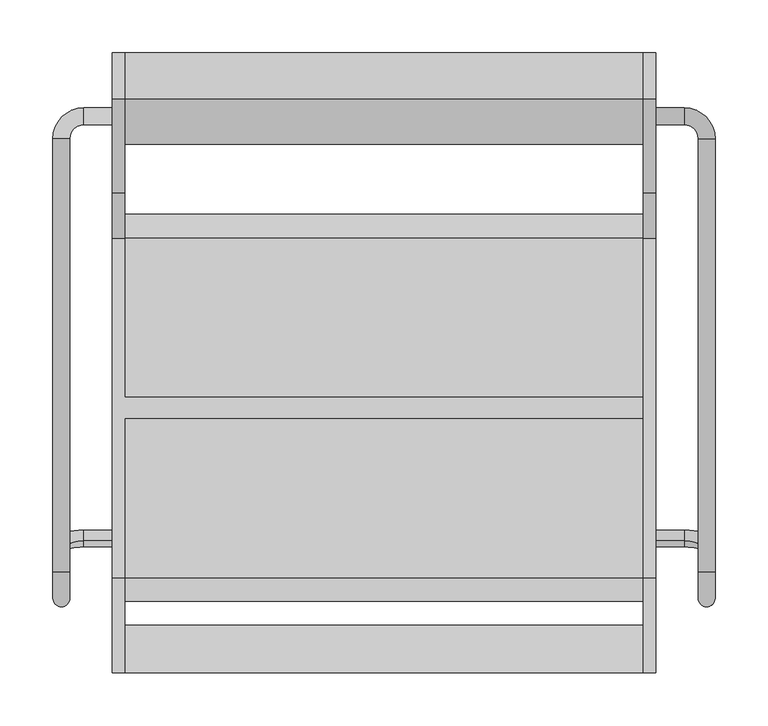
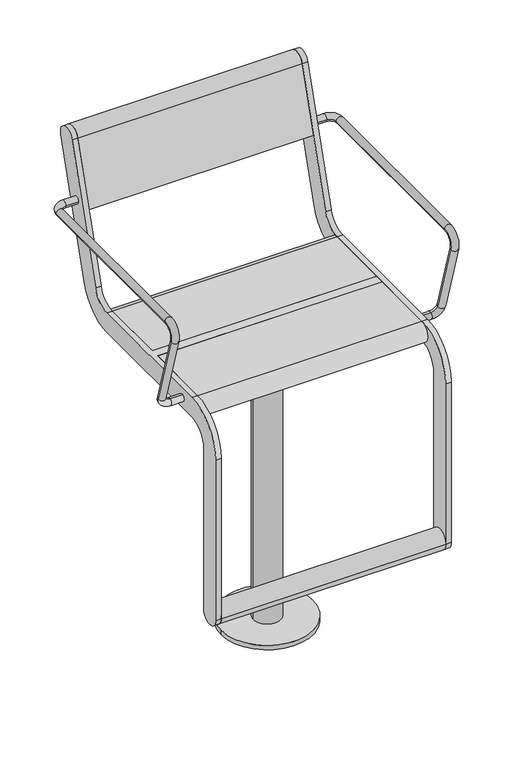
"""IFC4 building model written with IfcOpenShell, lengths in millimetres: furniture geometry."""

import ifcopenshell
import ifcopenshell.guid

model = None  # the IFC model being written
_history = None  # IfcOwnerHistory: only IFC2X3 demands one
_inside = {}  # id of a spatial element -> (the spatial element, [elements in it])
_under = {}  # id of a project, library or spatial element -> (it, [spatial elements below it])
_declared = {}  # id of a project -> (the project, [libraries it declares])
_typed = {}  # id of a type object -> (the type object, [elements of that type])
_made_of = {}  # id of a material, layer set ... -> (it, [elements and type objects made of it])


def new_model(schema):
    """Start an empty IFC model of exactly this schema.

    Asked for "IFC4X3", IfcOpenShell would pick the latest addendum, in which some entities
    have other attributes; the version numbers below select the first issue.
    IFC2X3 requires an IfcOwnerHistory on every rooted entity: one is made here for all.
    """
    global model, _history
    if schema == "IFC4X3":
        model = ifcopenshell.file(schema_version=(4, 3, 0, 0))
    else:
        model = ifcopenshell.file(schema=schema)
    _inside.clear()
    _under.clear()
    _declared.clear()
    _typed.clear()
    _made_of.clear()
    _history = None
    if model.schema == "IFC2X3":
        org = make("IfcOrganization", Name="unknown")
        user = make(
            "IfcPersonAndOrganization",
            ThePerson=make("IfcPerson", FamilyName="unknown"),
            TheOrganization=org,
        )
        app = make(
            "IfcApplication",
            ApplicationDeveloper=org,
            Version="unknown",
            ApplicationFullName="unknown",
            ApplicationIdentifier="unknown",
        )
        _history = make(
            "IfcOwnerHistory",
            OwningUser=user,
            OwningApplication=app,
            ChangeAction="ADDED",
            CreationDate=0,
        )
    return model


def make(cls, **values):
    """One entity of the class cls with the attributes given. An attribute that is None is left unset."""
    return model.create_entity(
        cls, **{name: value for name, value in values.items() if value is not None}
    )


def rooted(cls, **values):
    """An entity with a GlobalId (a new one), such as an element, a storey or a relation."""
    return make(cls, GlobalId=ifcopenshell.guid.new(), OwnerHistory=_history, **values)


def si_unit(unit_type, name, prefix=None):
    """IfcSIUnit, for example si_unit("LENGTHUNIT", "METRE", prefix="MILLI")."""
    return make("IfcSIUnit", UnitType=unit_type, Prefix=prefix, Name=name)


def assignment(units):
    """IfcUnitAssignment: the units of a project."""
    return None if units is None else make("IfcUnitAssignment", Units=units)


def point(xyz):
    """IfcCartesianPoint."""
    return None if xyz is None else make("IfcCartesianPoint", Coordinates=xyz)


def direction(xyz):
    """IfcDirection."""
    return None if xyz is None else make("IfcDirection", DirectionRatios=xyz)


def frame(location, z_axis=None, x_axis=None):
    """IfcAxis2Placement3D, a coordinate frame: its origin and axes. An axis left out is left unset."""
    return make(
        "IfcAxis2Placement3D",
        Location=point(location),
        Axis=direction(z_axis),
        RefDirection=direction(x_axis),
    )


def frame_2d(location, x_axis=None):
    """IfcAxis2Placement2D, a coordinate frame in the plane: its origin and x axis."""
    return make(
        "IfcAxis2Placement2D", Location=point(location), RefDirection=direction(x_axis)
    )


def origin():
    """The frame at (0, 0, 0) with its axes left unset."""
    return frame((0.0, 0.0, 0.0))


def origin_with_axes():
    """The frame at (0, 0, 0) with the z axis (0, 0, 1) and the x axis (1, 0, 0) written out."""
    return frame((0.0, 0.0, 0.0), z_axis=(0.0, 0.0, 1.0), x_axis=(1.0, 0.0, 0.0))


def origin_2d():
    """The frame at (0, 0) in the plane with its x axis left unset."""
    return frame_2d((0.0, 0.0))


def place(relative_to, where):
    """IfcLocalPlacement: puts the frame where relative to a parent placement (None: the world)."""
    return make(
        "IfcLocalPlacement", PlacementRelTo=relative_to, RelativePlacement=where
    )


def context(
    kind, dimensions, precision=None, world=None, true_north=None, identifier=None
):
    """IfcGeometricRepresentationContext, for example the 3D "Model" context."""
    return make(
        "IfcGeometricRepresentationContext",
        ContextIdentifier=identifier,
        ContextType=kind,
        CoordinateSpaceDimension=dimensions,
        Precision=precision,
        WorldCoordinateSystem=world,
        TrueNorth=true_north,
    )


def project(units=None, contexts=None):
    """IfcProject with its units and contexts."""
    return rooted(
        "IfcProject",
        Name="project",
        RepresentationContexts=contexts,
        UnitsInContext=assignment(units),
    )


def spatial(cls, under=None, at=None, **own):
    """A site, building, storey or space (cls), placed at a placement, below another one or the project."""
    s = rooted(cls, ObjectPlacement=at, **own)
    if under is not None:
        _under.setdefault(under.id(), (under, []))[1].append(s)
    return s


def polyline(points):
    """IfcPolyline through the points."""
    return make("IfcPolyline", Points=[point(p) for p in points])


def circle_curve(where, radius):
    """IfcCircle in the frame where."""
    return make("IfcCircle", Position=where, Radius=radius)


def ellipse_curve(where, semi_axis1, semi_axis2):
    """IfcEllipse in the frame where."""
    return make(
        "IfcEllipse", Position=where, SemiAxis1=semi_axis1, SemiAxis2=semi_axis2
    )


def trimmed(basis, trim1, trim2, sense, master):
    """IfcTrimmedCurve: the piece of a basis curve between two trims."""
    return make(
        "IfcTrimmedCurve",
        BasisCurve=basis,
        Trim1=trim1,
        Trim2=trim2,
        SenseAgreement=sense,
        MasterRepresentation=master,
    )


def segment(curve, same_sense, transition):
    """IfcCompositeCurveSegment."""
    return make(
        "IfcCompositeCurveSegment",
        Transition=transition,
        SameSense=same_sense,
        ParentCurve=curve,
    )


def composite_curve(segments, self_intersect=None):
    """IfcCompositeCurve: segments joined end to end."""
    return make("IfcCompositeCurve", Segments=segments, SelfIntersect=self_intersect)


def outline(outer, holes=None, kind="AREA"):
    """IfcArbitraryClosedProfileDef: a profile drawn as a closed curve; with holes, ...WithVoids."""
    if holes is None:
        return make("IfcArbitraryClosedProfileDef", ProfileType=kind, OuterCurve=outer)
    return make(
        "IfcArbitraryProfileDefWithVoids",
        ProfileType=kind,
        OuterCurve=outer,
        InnerCurves=holes,
    )


def extrude(swept, where, along, depth):
    """IfcExtrudedAreaSolid: the profile swept, set in the frame where, extruded along a direction by depth."""
    return make(
        "IfcExtrudedAreaSolid",
        SweptArea=swept,
        Position=where,
        ExtrudedDirection=direction(along),
        Depth=depth,
    )


def shape(context_of_items, identifier, shape_type, items):
    """IfcShapeRepresentation: the items that make up one representation, for example the "Body"."""
    return make(
        "IfcShapeRepresentation",
        ContextOfItems=context_of_items,
        RepresentationIdentifier=identifier,
        RepresentationType=shape_type,
        Items=items,
    )


def source(mapping_origin, context_of_items, identifier, shape_type, items):
    """IfcRepresentationMap: a shape defined once, which mapped items show again and again."""
    return make(
        "IfcRepresentationMap",
        MappingOrigin=mapping_origin,
        MappedRepresentation=shape(context_of_items, identifier, shape_type, items),
    )


def transform(
    local_origin,
    x_axis=None,
    y_axis=None,
    z_axis=None,
    scale=None,
    scale2=None,
    scale3=None,
    uniform=True,
):
    """IfcCartesianTransformationOperator3D, or its non-uniform kind. x_axis, y_axis, z_axis: its Axis1, 2, 3."""
    if uniform:
        return make(
            "IfcCartesianTransformationOperator3D",
            Axis1=direction(x_axis),
            Axis2=direction(y_axis),
            LocalOrigin=point(local_origin),
            Scale=scale,
            Axis3=direction(z_axis),
        )
    return make(
        "IfcCartesianTransformationOperator3DnonUniform",
        Axis1=direction(x_axis),
        Axis2=direction(y_axis),
        LocalOrigin=point(local_origin),
        Scale=scale,
        Axis3=direction(z_axis),
        Scale2=scale2,
        Scale3=scale3,
    )


def mapped(mapping_source, mapping_target):
    """IfcMappedItem: shows the shape of a source again, moved by a transform."""
    return make(
        "IfcMappedItem", MappingSource=mapping_source, MappingTarget=mapping_target
    )


def made_of(thing, what):
    """Note that an element or type object is made of a material, layer set ...; save() writes the relation."""
    if what is not None:
        _made_of.setdefault(what.id(), (what, []))[1].append(thing)
    return thing


def element(
    cls,
    number,
    at=None,
    inside=None,
    cuts=None,
    type_object=None,
    material=None,
    context=None,
    identifier="Body",
    shape_type=None,
    held_by="IfcProductDefinitionShape",
    body=None,
    shapes=None,
    **own,
):
    """One element of the class cls, such as IfcWall. Its Tag is "e" and its number.

    at: its placement. inside: the storey or other place that contains it. cuts: it is an
    opening in that element (IfcRelVoidsElement). A single representation is given by context,
    identifier, shape_type and body (its items); several are given by shapes. held_by: the class
    of the entity that holds the representations. save() writes the other relations.
    """
    e = rooted(cls, Tag="e%d" % number, ObjectPlacement=at, **own)
    if body is not None:
        shapes = [shape(context, identifier, shape_type, body)]
    if shapes is not None:
        e.Representation = make(held_by, Representations=shapes)
    if inside is not None:
        _inside.setdefault(inside.id(), (inside, []))[1].append(e)
    if cuts is not None:
        rooted(
            "IfcRelVoidsElement", RelatingBuildingElement=cuts, RelatedOpeningElement=e
        )
    if type_object is not None:
        _typed.setdefault(type_object.id(), (type_object, []))[1].append(e)
    return made_of(e, material)


def aggregate(whole, parts):
    """IfcRelAggregates: a whole, such as a stair, and the parts it consists of."""
    return rooted("IfcRelAggregates", RelatingObject=whole, RelatedObjects=parts)


def save(model, path):
    """Write the relations noted so far, then the file.

    IfcRelAggregates (storeys below a building ...), IfcRelContainedInSpatialStructure (elements
    in a storey), IfcRelDefinesByType, IfcRelAssociatesMaterial and IfcRelDeclares: one each for
    every whole, place, type object, material and project.
    """
    for whole, parts in _under.values():
        aggregate(whole, parts)
    for where, things in _inside.values():
        rooted(
            "IfcRelContainedInSpatialStructure",
            RelatedElements=things,
            RelatingStructure=where,
        )
    for kind, things in _typed.values():
        rooted("IfcRelDefinesByType", RelatedObjects=things, RelatingType=kind)
    for what, things in _made_of.values():
        rooted("IfcRelAssociatesMaterial", RelatedObjects=things, RelatingMaterial=what)
    for by, libraries in _declared.values():
        rooted("IfcRelDeclares", RelatingContext=by, RelatedDefinitions=libraries)
    model.write(path)


def plane_surface(at):
    """IfcPlane: the flat surface through the origin of the frame at, square to its z axis."""
    return make("IfcPlane", Position=at)


def cylinder_surface(at, radius):
    """IfcCylindricalSurface: all points at the distance radius from the z axis of the frame at."""
    return make("IfcCylindricalSurface", Position=at, Radius=radius)


def revolved_surface(curve, axis_point, axis_direction):
    """IfcSurfaceOfRevolution: the curve turned about the line through axis_point along axis_direction."""
    return make(
        "IfcSurfaceOfRevolution",
        SweptCurve=make("IfcArbitraryOpenProfileDef", ProfileType="CURVE", Curve=curve),
        AxisPosition=make("IfcAxis1Placement", Location=point(axis_point), Axis=direction(axis_direction)),
    )


def advanced_brep(points, edges, surfaces, faces):
    """IfcAdvancedBrep: a solid bounded by faces that lie on surfaces and meet in shared edges.

    An edge is (start, end): straight between two places in points (the first is 0);
    or (start, end, curve); or (start, end, curve, False) where it runs against its curve.
    A face is (place in surfaces, loops), or (place, loops, False) where it looks against
    its surface's normal. A loop lists edges by number (the first is 1), with a minus sign
    where the edge is run from its end to its start. The first loop is the outer one.
    """
    corners = [point(p) for p in points]
    vertices = [make("IfcVertexPoint", VertexGeometry=c) for c in corners]
    made = []
    for start, end, *more in edges:
        made.append(
            make(
                "IfcEdgeCurve",
                EdgeStart=vertices[start],
                EdgeEnd=vertices[end],
                EdgeGeometry=more[0] if more else make("IfcPolyline", Points=[corners[start], corners[end]]),
                SameSense=more[1] if len(more) > 1 else True,
            )
        )
    hull = []
    for where, loops, *sense in faces:
        bounds = []
        for j, loop in enumerate(loops):
            ring = [make("IfcOrientedEdge", EdgeElement=made[abs(k) - 1], Orientation=k > 0) for k in loop]
            bounds.append(
                make(
                    "IfcFaceOuterBound" if j == 0 else "IfcFaceBound",
                    Bound=make("IfcEdgeLoop", EdgeList=ring),
                    Orientation=True,
                )
            )
        hull.append(make("IfcAdvancedFace", Bounds=bounds, FaceSurface=surfaces[where], SameSense=sense[0] if sense else True))
    return make("IfcAdvancedBrep", Outer=make("IfcClosedShell", CfsFaces=hull))


def furniture_70af7916(model_context):
    return source(origin(), model_context, "Body", "SolidModel", [
        extrude(outline(composite_curve([segment(trimmed(circle_curve(origin_2d(), 40.0), [point((-40.0, 0.0))], [point((40.0, 0.0))], False, "CARTESIAN"), True, "CONTINUOUS"), segment(trimmed(circle_curve(origin_2d(), 40.0), [point((40.0, 0.0))], [point((-40.0, 0.0))], False, "CARTESIAN"), True, "CONTINUOUS")], self_intersect=False)), frame((0.0, 0.0, 578.999979), z_axis=(0.0, 0.0, 1.0), x_axis=(1.0, 0.0, 0.0)), (0.0, 0.0, 1.0), 60.0000441),
        extrude(outline(polyline([(75.0, 125.0), (75.0, -125.0), (-75.0, -125.0), (-75.0, 125.0), (75.0, 125.0)])), frame((0.0, 0.0, 639.0000231), z_axis=(0.0, 0.0, 1.0), x_axis=(1.0, 0.0, 0.0)), (0.0, 0.0, 1.0), 15.9999681),
        extrude(outline(composite_curve([segment(trimmed(circle_curve(origin_2d(), 100.0), [point((-100.0, 0.0))], [point((100.0, 0.0))], False, "CARTESIAN"), True, "CONTINUOUS"), segment(trimmed(circle_curve(origin_2d(), 100.0), [point((100.0, 0.0))], [point((-100.0, 0.0))], False, "CARTESIAN"), True, "CONTINUOUS")], self_intersect=False)), origin_with_axes(), (0.0, 0.0, 1.0), 10.0),
        extrude(outline(composite_curve([segment(trimmed(circle_curve(origin_2d(), 30.0), [point((-30.0, 0.0))], [point((30.0, 0.0))], False, "CARTESIAN"), True, "CONTINUOUS"), segment(trimmed(circle_curve(origin_2d(), 30.0), [point((30.0, 0.0))], [point((-30.0, 0.0))], False, "CARTESIAN"), True, "CONTINUOUS")], self_intersect=False)), frame((0.0, 0.0, 10.0), z_axis=(0.0, 0.0, 1.0), x_axis=(1.0, 0.0, 0.0)), (0.0, 0.0, 1.0), 568.999979),
        advanced_brep(
        [(257.0, 267.0, 891.4999912), (257.0, 283.0, 891.4999912), (284.0, 267.0, 891.4999912), (284.0, 283.0, 891.4999912), (297.0, 254.0, 891.4999912), (313.0, 254.0, 891.4999912), (297.0, -155.6408049, 891.4999912), (313.0, -155.6408049, 891.4999912), (313.0, -179.5484238, 859.1906986), (297.0, -179.5484238, 859.1906986), (313.0, -130.1398058, 697.5823911), (297.0, -130.1398058, 697.5823911), (257.0, -126.3389736, 685.1504293), (257.0, -121.6610264, 669.8495532), (284.0, -121.6610264, 669.8495532), (284.0, -126.3389736, 685.1504293)],
        [
            (0, 1, circle_curve(frame((257.0, 275.0, 891.4999912), z_axis=(-1.0, 0.0, 0.0), x_axis=(0.0, 1.0, 0.0)), 8.0)),
            (1, 0, circle_curve(frame((257.0, 275.0, 891.4999912), z_axis=(-1.0, 0.0, 0.0), x_axis=(0.0, 1.0, 0.0)), 8.0)),
            (0, 2),
            (2, 3, circle_curve(frame((284.0, 275.0, 891.4999912), z_axis=(-1.0, 0.0, 0.0), x_axis=(0.0, 1.0, 0.0)), 8.0)),
            (3, 1),
            (3, 2, circle_curve(frame((284.0, 275.0, 891.4999912), z_axis=(-1.0, 0.0, 0.0), x_axis=(0.0, 1.0, 0.0)), 8.0)),
            (2, 4, circle_curve(frame((284.0, 254.0, 891.4999912), z_axis=(0.0, 0.0, -1.0), x_axis=(0.0, 1.0, 0.0)), 13.0)),
            (4, 5, circle_curve(frame((305.0, 254.0, 891.4999912), z_axis=(0.0, 1.0, 0.0), x_axis=(1.0, 0.0, 0.0)), 8.0)),
            (5, 3, circle_curve(frame((284.0, 254.0, 891.4999912), z_axis=(0.0, 0.0, 1.0), x_axis=(0.0, 1.0, 0.0)), 29.0)),
            (5, 4, circle_curve(frame((305.0, 254.0, 891.4999912), z_axis=(0.0, 1.0, 0.0), x_axis=(1.0, 0.0, 0.0)), 8.0)),
            (4, 6),
            (6, 7, circle_curve(frame((305.0, -155.6408049, 891.4999912), z_axis=(0.0, 1.0, 0.0), x_axis=(1.0, 0.0, 0.0)), 8.0)),
            (7, 5),
            (7, 6, circle_curve(frame((305.0, -155.6408049, 891.4999912), z_axis=(0.0, 1.0, 0.0), x_axis=(1.0, 0.0, 0.0)), 8.0)),
            (7, 8, circle_curve(frame((313.0, -155.6408049, 866.4999912), z_axis=(1.0, 0.0, 0.0), x_axis=(0.0, 0.0, 1.0)), 25.0)),
            (8, 9, circle_curve(frame((305.0, -179.5484238, 859.1906986), z_axis=(0.0, -0.2923717047227431, 0.9563047559630335), x_axis=(1.0, 0.0, 0.0)), 8.0)),
            (9, 6, circle_curve(frame((297.0, -155.6408049, 866.4999912), z_axis=(-1.0, 0.0, 0.0), x_axis=(0.0, 0.0, 1.0)), 25.0)),
            (9, 8, circle_curve(frame((305.0, -179.5484238, 859.1906986), z_axis=(0.0, -0.2923717047227435, 0.9563047559630334), x_axis=(1.0, 0.0, 0.0)), 8.0)),
            (8, 10),
            (10, 11, circle_curve(frame((305.0, -130.1398058, 697.5823911), z_axis=(0.0, -0.2923717047227379, 0.9563047559630351), x_axis=(1.0, 0.0, 0.0)), 8.0)),
            (11, 9),
            (11, 10, circle_curve(frame((305.0, -130.1398058, 697.5823911), z_axis=(0.0, -0.2923717047227379, 0.9563047559630351), x_axis=(1.0, 0.0, 0.0)), 8.0)),
            (12, 13, circle_curve(frame((257.0, -124.0, 677.4999912), z_axis=(-1.0, 0.0, 0.0), x_axis=(0.0, 0.2923717047227402, -0.9563047559630344)), 8.0)),
            (13, 12, circle_curve(frame((257.0, -124.0, 677.4999912), z_axis=(-1.0, 0.0, 0.0), x_axis=(0.0, 0.2923717047227402, -0.9563047559630344)), 8.0)),
            (13, 14),
            (14, 15, circle_curve(frame((284.0, -124.0, 677.4999912), z_axis=(-1.0, 0.0, 0.0), x_axis=(0.0, 0.2923717047227402, -0.9563047559630344)), 8.0)),
            (15, 12),
            (15, 14, circle_curve(frame((284.0, -124.0, 677.4999912), z_axis=(-1.0, 0.0, 0.0), x_axis=(0.0, 0.2923717047227402, -0.9563047559630344)), 8.0)),
            (14, 10, circle_curve(frame((284.0, -130.1398058, 697.5823911), z_axis=(0.0, -0.9563047559630344, -0.29237170472274027), x_axis=(0.0, 0.29237170472274027, -0.9563047559630344)), 29.0)),
            (11, 15, circle_curve(frame((284.0, -130.1398058, 697.5823911), z_axis=(0.0, 0.9563047559630344, 0.29237170472274027), x_axis=(0.0, 0.29237170472274027, -0.9563047559630344)), 13.0)),
        ],
        [
            plane_surface(frame((257.0, 275.0, -99.999782), z_axis=(-1.0, 0.0, 0.0), x_axis=(0.0, 0.0, 1.0))),
            cylinder_surface(frame((257.0, 275.0, 891.4999912), z_axis=(-1.0, 0.0, 0.0), x_axis=(0.0, 1.0, 0.0)), 8.0),
            revolved_surface(trimmed(ellipse_curve(frame((284.0, 275.0, 891.4999912), z_axis=(-1.0, 0.0, 0.0), x_axis=(0.0, 1.0, 0.0)), 8.0, 8.0), [point((284.0, 267.0, 891.4999912))], [point((284.0, 283.0, 891.4999912))], True, "CARTESIAN"), (284.0, 254.0, -99.999782), (0.0, 0.0, -1.0)),
            revolved_surface(trimmed(ellipse_curve(frame((284.0, 275.0, 891.4999912), z_axis=(-1.0, 0.0, 0.0), x_axis=(0.0, 1.0, 0.0)), 8.0, 8.0), [point((284.0, 283.0, 891.4999912))], [point((284.0, 267.0, 891.4999912))], True, "CARTESIAN"), (284.0, 254.0, -99.999782), (0.0, 0.0, -1.0)),
            cylinder_surface(frame((305.0, 254.0, 891.4999912), z_axis=(0.0, 1.0, 0.0), x_axis=(1.0, 0.0, 0.0)), 8.0),
            revolved_surface(trimmed(ellipse_curve(frame((305.0, -155.6408049, 891.4999912), z_axis=(0.0, 1.0, 0.0), x_axis=(1.0, 0.0, 0.0)), 8.0, 8.0), [point((313.0, -155.6408049, 891.4999912))], [point((297.0, -155.6408049, 891.4999912))], True, "CARTESIAN"), (0.0, -155.6408049, 866.4999912), (1.0, 0.0, 0.0)),
            revolved_surface(trimmed(ellipse_curve(frame((305.0, -155.6408049, 891.4999912), z_axis=(0.0, 1.0, 0.0), x_axis=(1.0, 0.0, 0.0)), 8.0, 8.0), [point((297.0, -155.6408049, 891.4999912))], [point((313.0, -155.6408049, 891.4999912))], True, "CARTESIAN"), (0.0, -155.6408049, 866.4999912), (1.0, 0.0, 0.0)),
            cylinder_surface(frame((305.0, -179.5484238, 859.1906986), z_axis=(0.0, -0.2923717047227379, 0.9563047559630351), x_axis=(1.0, 0.0, 0.0)), 8.0),
            plane_surface(frame((257.0, 489.469501, 865.0564398), z_axis=(-1.0, 0.0, 0.0), x_axis=(0.0, -0.9563047559630344, -0.29237170472274027))),
            cylinder_surface(frame((257.0, -124.0, 677.4999912), z_axis=(-1.0, 0.0, 0.0), x_axis=(0.0, 0.2923717047227402, -0.9563047559630344)), 8.0),
            revolved_surface(trimmed(ellipse_curve(frame((284.0, -124.0, 677.4999912), z_axis=(-1.0, 0.0, 0.0), x_axis=(0.0, 0.2923717047227402, -0.9563047559630344)), 8.0, 8.0), [point((284.0, -121.6610264, 669.8495532))], [point((284.0, -126.3389736, 685.1504293))], True, "CARTESIAN"), (284.0, 483.3296952, 885.1388397), (0.0, -0.9563047559630344, -0.29237170472274027)),
            revolved_surface(trimmed(ellipse_curve(frame((284.0, -124.0, 677.4999912), z_axis=(-1.0, 0.0, 0.0), x_axis=(0.0, 0.2923717047227402, -0.9563047559630344)), 8.0, 8.0), [point((284.0, -126.3389736, 685.1504293))], [point((284.0, -121.6610264, 669.8495532))], True, "CARTESIAN"), (284.0, 483.3296952, 885.1388397), (0.0, -0.9563047559630344, -0.29237170472274027)),
        ],
        [
            (0, [[1, 2]]),
            (1, [[-1, 3, 4, 5]]),
            (1, [[-2, -5, 6, -3]]),
            (2, [[-4, 7, 8, 9]]),
            (3, [[-6, -9, 10, -7]]),
            (4, [[11, 12, 13, -8]]),
            (4, [[-11, -10, -13, 14]]),
            (5, [[-14, 15, 16, 17]]),
            (6, [[-12, -17, 18, -15]]),
            (7, [[-16, 19, 20, 21]]),
            (7, [[-18, -21, 22, -19]]),
            (8, [[23, 24]]),
            (9, [[-24, 25, 26, 27]]),
            (9, [[-23, -27, 28, -25]]),
            (10, [[-26, 29, -22, 30]]),
            (11, [[-28, -30, -20, -29]]),
        ],
    ),
        extrude(outline(composite_curve([segment(trimmed(circle_curve(frame_2d((-228.4999475, 240.0002133)), 22.4999984), [point((-205.9999492, 240.0002133))], [point((-250.9999459, 240.0002133))], False, "CARTESIAN"), True, "CONTINUOUS"), segment(trimmed(circle_curve(frame_2d((-228.4999475, 240.0002133)), 22.4999984), [point((-250.9999459, 240.0002133))], [point((-205.9999492, 240.0002133))], False, "CARTESIAN"), True, "CONTINUOUS")], self_intersect=False)), frame((-245.0, 0.0, 0.0), z_axis=(1.0, 0.0, 0.0), x_axis=(0.0, 1.0, 0.0)), (0.0, 0.0, 1.0), 490.0),
        extrude(outline(composite_curve([segment(trimmed(circle_curve(frame_2d((312.5544541, 1013.1126327)), 22.5), [point((291.0375971, 1019.6909961))], [point((334.0713112, 1006.5342693))], False, "CARTESIAN"), True, "CONTINUOUS"), segment(polyline([(334.0713112, 1006.5342693), (246.067428, 718.6865378)]), True, "CONTINUOUS"), segment(trimmed(circle_curve(frame_2d((160.0, 744.9999912)), 90.0), [point((246.067428, 718.6865378))], [point((160.0, 654.9999912))], False, "CARTESIAN"), True, "CONTINUOUS"), segment(polyline([(160.0, 654.9999912), (-161.000007, 654.9999912)]), True, "CONTINUOUS"), segment(trimmed(circle_curve(frame_2d((-161.000007, 610.000049)), 44.9999422), [point((-161.000007, 654.9999912))], [point((-205.9999492, 610.000049))], True, "CARTESIAN"), True, "CONTINUOUS"), segment(polyline([(-205.9999492, 610.000049), (-205.9999492, 240.0002133)]), True, "CONTINUOUS"), segment(trimmed(circle_curve(frame_2d((-228.4999475, 240.0002133)), 22.4999984), [point((-205.9999492, 240.0002133))], [point((-250.9999459, 240.0002133))], False, "CARTESIAN"), True, "CONTINUOUS"), segment(polyline([(-250.9999459, 240.0002133), (-250.9999459, 610.0000453)]), True, "CONTINUOUS"), segment(trimmed(circle_curve(frame_2d((-161.0, 610.0000453)), 89.9999459), [point((-250.9999459, 610.0000453))], [point((-161.0, 699.9999912))], False, "CARTESIAN"), True, "CONTINUOUS"), segment(polyline([(-161.0, 699.9999912), (160.0, 699.9999912)]), True, "CONTINUOUS"), segment(trimmed(circle_curve(frame_2d((160.0, 744.9999912)), 45.0), [point((160.0, 699.9999912))], [point((203.033714, 731.8432645))], True, "CARTESIAN"), True, "CONTINUOUS"), segment(polyline([(203.033714, 731.8432645), (291.0375971, 1019.6909961)]), True, "CONTINUOUS")], self_intersect=False)), frame((245.0000214, 0.0, 0.0), z_axis=(1.0, 0.0, 0.0), x_axis=(0.0, 1.0, 0.0)), (0.0, 0.0, 1.0), 12.0),
        advanced_brep(
        [(-313.0, 254.0, 891.4999912), (-313.0, -155.6408049, 891.4999912), (-297.0, -155.6408049, 891.4999912), (-297.0, 254.0, 891.4999912), (-257.0, 267.0, 891.4999912), (-257.0, 283.0, 891.4999912), (-284.0, 283.0, 891.4999912), (-284.0, 267.0, 891.4999912), (-297.0, -179.5484238, 859.1906986), (-313.0, -179.5484238, 859.1906986), (-297.0, -130.1398058, 697.5823911), (-313.0, -130.1398058, 697.5823911), (-257.0, -126.3389736, 685.1504293), (-257.0, -121.6610264, 669.8495532), (-284.0, -126.3389736, 685.1504293), (-284.0, -121.6610264, 669.8495532)],
        [
            (0, 1),
            (1, 2, circle_curve(frame((-305.0, -155.6408049, 891.4999912), z_axis=(0.0, 1.0, 0.0), x_axis=(-1.0, 0.0, 0.0)), 8.0)),
            (2, 3),
            (3, 0, circle_curve(frame((-305.0, 254.0, 891.4999912), z_axis=(0.0, -1.0, 0.0), x_axis=(-1.0, 0.0, 0.0)), 8.0)),
            (0, 3, circle_curve(frame((-305.0, 254.0, 891.4999912), z_axis=(0.0, -1.0, 0.0), x_axis=(-1.0, 0.0, 0.0)), 8.0)),
            (2, 1, circle_curve(frame((-305.0, -155.6408049, 891.4999912), z_axis=(0.0, 1.0, 0.0), x_axis=(-1.0, 0.0, 0.0)), 8.0)),
            (4, 5, circle_curve(frame((-257.0, 275.0, 891.4999912), z_axis=(1.0, 0.0, 0.0), x_axis=(0.0, 1.0, 0.0)), 8.0)),
            (5, 4, circle_curve(frame((-257.0, 275.0, 891.4999912), z_axis=(1.0, 0.0, 0.0), x_axis=(0.0, 1.0, 0.0)), 8.0)),
            (5, 6),
            (6, 7, circle_curve(frame((-284.0, 275.0, 891.4999912), z_axis=(1.0, 0.0, 0.0), x_axis=(0.0, 1.0, 0.0)), 8.0)),
            (7, 4),
            (7, 6, circle_curve(frame((-284.0, 275.0, 891.4999912), z_axis=(1.0, 0.0, 0.0), x_axis=(0.0, 1.0, 0.0)), 8.0)),
            (6, 0, circle_curve(frame((-284.0, 254.0, 891.4999912), z_axis=(0.0, 0.0, 1.0), x_axis=(0.0, 1.0, 0.0)), 29.0)),
            (3, 7, circle_curve(frame((-284.0, 254.0, 891.4999912), z_axis=(0.0, 0.0, -1.0), x_axis=(0.0, 1.0, 0.0)), 13.0)),
            (2, 8, circle_curve(frame((-297.0, -155.6408049, 866.4999912), z_axis=(1.0, 0.0, 0.0), x_axis=(0.0, 0.0, 1.0)), 25.0)),
            (8, 9, circle_curve(frame((-305.0, -179.5484238, 859.1906986), z_axis=(0.0, -0.2923717047227431, 0.9563047559630335), x_axis=(-1.0, 0.0, 0.0)), 8.0)),
            (9, 1, circle_curve(frame((-313.0, -155.6408049, 866.4999912), z_axis=(-1.0, 0.0, 0.0), x_axis=(0.0, 0.0, 1.0)), 25.0)),
            (9, 8, circle_curve(frame((-305.0, -179.5484238, 859.1906986), z_axis=(0.0, -0.2923717047227431, 0.9563047559630335), x_axis=(-1.0, 0.0, 0.0)), 8.0)),
            (8, 10),
            (10, 11, circle_curve(frame((-305.0, -130.1398058, 697.5823911), z_axis=(0.0, -0.2923717047227379, 0.9563047559630351), x_axis=(-1.0, 0.0, 0.0)), 8.0)),
            (11, 9),
            (11, 10, circle_curve(frame((-305.0, -130.1398058, 697.5823911), z_axis=(0.0, -0.2923717047227379, 0.9563047559630351), x_axis=(-1.0, 0.0, 0.0)), 8.0)),
            (12, 13, circle_curve(frame((-257.0, -124.0, 677.4999912), z_axis=(1.0, 0.0, 0.0), x_axis=(0.0, 0.2923717047227402, -0.9563047559630344)), 8.0)),
            (13, 12, circle_curve(frame((-257.0, -124.0, 677.4999912), z_axis=(1.0, 0.0, 0.0), x_axis=(0.0, 0.2923717047227402, -0.9563047559630344)), 8.0)),
            (12, 14),
            (14, 15, circle_curve(frame((-284.0, -124.0, 677.4999912), z_axis=(1.0, 0.0, 0.0), x_axis=(0.0, 0.2923717047227402, -0.9563047559630344)), 8.0)),
            (15, 13),
            (15, 14, circle_curve(frame((-284.0, -124.0, 677.4999912), z_axis=(1.0, 0.0, 0.0), x_axis=(0.0, 0.2923717047227402, -0.9563047559630344)), 8.0)),
            (14, 10, circle_curve(frame((-284.0, -130.1398058, 697.5823911), z_axis=(0.0, 0.9563047559630344, 0.29237170472274027), x_axis=(0.0, 0.29237170472274027, -0.9563047559630344)), 13.0)),
            (11, 15, circle_curve(frame((-284.0, -130.1398058, 697.5823911), z_axis=(0.0, -0.9563047559630344, -0.29237170472274027), x_axis=(0.0, 0.29237170472274027, -0.9563047559630344)), 29.0)),
        ],
        [
            cylinder_surface(frame((-305.0, 254.0, 891.4999912), z_axis=(0.0, 1.0, 0.0), x_axis=(-1.0, 0.0, 0.0)), 8.0),
            plane_surface(frame((-257.0, 275.0, -99.999782), z_axis=(1.0, 0.0, 0.0), x_axis=(0.0, 0.0, 1.0))),
            cylinder_surface(frame((-257.0, 275.0, 891.4999912), z_axis=(1.0, 0.0, 0.0), x_axis=(0.0, 1.0, 0.0)), 8.0),
            revolved_surface(trimmed(ellipse_curve(frame((-284.0, 275.0, 891.4999912), z_axis=(1.0, 0.0, 0.0), x_axis=(0.0, 1.0, 0.0)), 8.0, 8.0), [point((-284.0, 283.0, 891.4999912))], [point((-284.0, 267.0, 891.4999912))], True, "CARTESIAN"), (-284.0, 254.0, -99.999782), (0.0, 0.0, 1.0)),
            revolved_surface(trimmed(ellipse_curve(frame((-284.0, 275.0, 891.4999912), z_axis=(1.0, 0.0, 0.0), x_axis=(0.0, 1.0, 0.0)), 8.0, 8.0), [point((-284.0, 267.0, 891.4999912))], [point((-284.0, 283.0, 891.4999912))], True, "CARTESIAN"), (-284.0, 254.0, -99.999782), (0.0, 0.0, 1.0)),
            revolved_surface(trimmed(ellipse_curve(frame((-305.0, -155.6408049, 891.4999912), z_axis=(0.0, 1.0, 0.0), x_axis=(-1.0, 0.0, 0.0)), 8.0, 8.0), [point((-297.0, -155.6408049, 891.4999912))], [point((-313.0, -155.6408049, 891.4999912))], True, "CARTESIAN"), (0.0, -155.6408049, 866.4999912), (1.0, 0.0, 0.0)),
            revolved_surface(trimmed(ellipse_curve(frame((-305.0, -155.6408049, 891.4999912), z_axis=(0.0, 1.0, 0.0), x_axis=(-1.0, 0.0, 0.0)), 8.0, 8.0), [point((-313.0, -155.6408049, 891.4999912))], [point((-297.0, -155.6408049, 891.4999912))], True, "CARTESIAN"), (0.0, -155.6408049, 866.4999912), (1.0, 0.0, 0.0)),
            cylinder_surface(frame((-305.0, -179.5484238, 859.1906986), z_axis=(0.0, -0.2923717047227379, 0.9563047559630351), x_axis=(-1.0, 0.0, 0.0)), 8.0),
            plane_surface(frame((-257.0, 489.469501, 865.0564398), z_axis=(1.0, 0.0, 0.0), x_axis=(0.0, -0.9563047559630344, -0.29237170472274027))),
            cylinder_surface(frame((-257.0, -124.0, 677.4999912), z_axis=(1.0, 0.0, 0.0), x_axis=(0.0, 0.2923717047227402, -0.9563047559630344)), 8.0),
            revolved_surface(trimmed(ellipse_curve(frame((-284.0, -124.0, 677.4999912), z_axis=(1.0, 0.0, 0.0), x_axis=(0.0, 0.2923717047227402, -0.9563047559630344)), 8.0, 8.0), [point((-284.0, -126.3389736, 685.1504293))], [point((-284.0, -121.6610264, 669.8495532))], True, "CARTESIAN"), (-284.0, 483.3296952, 885.1388397), (0.0, 0.9563047559630344, 0.29237170472274027)),
            revolved_surface(trimmed(ellipse_curve(frame((-284.0, -124.0, 677.4999912), z_axis=(1.0, 0.0, 0.0), x_axis=(0.0, 0.2923717047227402, -0.9563047559630344)), 8.0, 8.0), [point((-284.0, -121.6610264, 669.8495532))], [point((-284.0, -126.3389736, 685.1504293))], True, "CARTESIAN"), (-284.0, 483.3296952, 885.1388397), (0.0, 0.9563047559630344, 0.29237170472274027)),
        ],
        [
            (0, [[1, 2, 3, 4]]),
            (0, [[-1, 5, -3, 6]]),
            (1, [[7, 8]]),
            (2, [[-8, 9, 10, 11]]),
            (2, [[-7, -11, 12, -9]]),
            (3, [[-10, 13, -4, 14]]),
            (4, [[-12, -14, -5, -13]]),
            (5, [[-6, 15, 16, 17]]),
            (6, [[-2, -17, 18, -15]]),
            (7, [[-16, 19, 20, 21]]),
            (7, [[-18, -21, 22, -19]]),
            (8, [[23, 24]]),
            (9, [[-23, 25, 26, 27]]),
            (9, [[-24, -27, 28, -25]]),
            (10, [[-26, 29, -22, 30]]),
            (11, [[-28, -30, -20, -29]]),
        ],
    ),
        advanced_brep(
        [(-245.0, 291.0375971, 1019.6909961), (-245.0, 203.033714, 731.8432645), (-245.0, 160.0, 699.9999912), (-245.0, 9.5, 699.9999912), (-245.0, 9.5, 654.9999912), (-245.0, 160.0, 654.9999912), (-245.0, 246.067428, 718.6865378), (-245.0, 334.0713112, 1006.5342693), (-245.0, -161.0, 699.9999912), (-245.0, -250.9999459, 610.0000453), (-245.0, -250.9999459, 240.0002133), (-245.0, -205.9999492, 240.0002133), (-245.0, -205.9999492, 610.000049), (-245.0, -161.000007, 654.9999912), (-245.0, -10.5, 654.9999912), (-245.0, -10.5, 699.9999912), (-257.0, 291.0375971, 1019.6909961), (-257.0, 334.0713112, 1006.5342693), (-257.0, 246.067428, 718.6865378), (-257.0, 160.0, 654.9999912), (-257.0, -161.000007, 654.9999912), (-257.0, -205.9999492, 610.000049), (-257.0, -205.9999492, 240.0002133), (-257.0, -250.9999459, 240.0002133), (-257.0, -250.9999459, 610.0000453), (-257.0, -161.0, 699.9999912), (-257.0, 160.0, 699.9999912), (-257.0, 203.033714, 731.8432645), (245.0, -10.5, 699.9999912), (245.0, 9.5, 699.9999912), (245.0, 9.5, 654.9999912), (245.0, -10.5, 654.9999912)],
        [
            (0, 1),
            (1, 2, circle_curve(frame((-245.0, 160.0, 744.9999912), z_axis=(-1.0, 0.0, 0.0), x_axis=(0.0, -1.0, 0.0)), 45.0)),
            (2, 3),
            (3, 4),
            (4, 5),
            (5, 6, circle_curve(frame((-245.0, 160.0, 744.9999912), z_axis=(1.0, 0.0, 0.0), x_axis=(0.0, -1.0, 0.0)), 90.0)),
            (6, 7),
            (7, 0, circle_curve(frame((-245.0, 312.5544541, 1013.1126327), z_axis=(1.0, 0.0, 0.0), x_axis=(0.0, -1.0, 0.0)), 22.5)),
            (8, 9, circle_curve(frame((-245.0, -161.0, 610.0000453), z_axis=(1.0, 0.0, 0.0), x_axis=(0.0, -1.0, 0.0)), 89.9999459)),
            (9, 10),
            (10, 11, circle_curve(frame((-245.0, -228.4999475, 240.0002133), z_axis=(1.0, 0.0, 0.0), x_axis=(0.0, -1.0, 0.0)), 22.4999984)),
            (11, 12),
            (12, 13, circle_curve(frame((-245.0, -161.000007, 610.000049), z_axis=(-1.0, 0.0, 0.0), x_axis=(0.0, -1.0, 0.0)), 44.9999422)),
            (13, 14),
            (14, 15),
            (15, 8),
            (16, 17, circle_curve(frame((-257.0, 312.5544541, 1013.1126327), z_axis=(-1.0, 0.0, 0.0), x_axis=(0.0, -1.0, 0.0)), 22.5)),
            (17, 18),
            (18, 19, circle_curve(frame((-257.0, 160.0, 744.9999912), z_axis=(-1.0, 0.0, 0.0), x_axis=(0.0, -1.0, 0.0)), 90.0)),
            (19, 20),
            (20, 21, circle_curve(frame((-257.0, -161.000007, 610.000049), z_axis=(1.0, 0.0, 0.0), x_axis=(0.0, -1.0, 0.0)), 44.9999422)),
            (21, 22),
            (22, 23, circle_curve(frame((-257.0, -228.4999475, 240.0002133), z_axis=(-1.0, 0.0, 0.0), x_axis=(0.0, -1.0, 0.0)), 22.4999984)),
            (23, 24),
            (24, 25, circle_curve(frame((-257.0, -161.0, 610.0000453), z_axis=(-1.0, 0.0, 0.0), x_axis=(0.0, -1.0, 0.0)), 89.9999459)),
            (25, 26),
            (26, 27, circle_curve(frame((-257.0, 160.0, 744.9999912), z_axis=(1.0, 0.0, 0.0), x_axis=(0.0, -1.0, 0.0)), 45.0)),
            (27, 16),
            (0, 16),
            (27, 1),
            (26, 2),
            (25, 8),
            (15, 28),
            (28, 29),
            (29, 3),
            (19, 5),
            (4, 30),
            (30, 31),
            (31, 14),
            (13, 20),
            (18, 6),
            (17, 7),
            (28, 31),
            (30, 29),
            (24, 9),
            (23, 10),
            (22, 11),
            (21, 12),
        ],
        [
            plane_surface(frame((-245.0, 203.033714, 731.8432645), z_axis=(1.0, 0.0, 0.0), x_axis=(0.0, -0.2923717047227337, -0.9563047559630364))),
            plane_surface(frame((-257.0, 203.033714, 731.8432645), z_axis=(-1.0, 0.0, 0.0), x_axis=(0.0, 0.2923717047227337, 0.9563047559630364))),
            plane_surface(frame((-245.0, 291.0375971, 1019.6909961), z_axis=(0.0, -0.9563047559630364, 0.2923717047227337), x_axis=(-1.0, 0.0, 0.0))),
            revolved_surface(polyline([(-257.0, 115.0, 744.9999912), (-245.0, 115.0, 744.9999912)]), (-257.0, 160.0, 744.9999912), (-1.0, 0.0, 0.0)),
            plane_surface(frame((-245.0, 160.0, 699.9999912), z_axis=(0.0, 0.0, 1.0), x_axis=(-1.0, 0.0, 0.0))),
            plane_surface(frame((-245.0, -161.000007, 654.9999912), z_axis=(0.0, 0.0, -1.0), x_axis=(-1.0, 0.0, 0.0))),
            cylinder_surface(frame((-257.0, 160.0, 744.9999912), z_axis=(1.0, 0.0, 0.0), x_axis=(0.0, -1.0, 0.0)), 90.0),
            plane_surface(frame((-245.0, 246.067428, 718.6865378), z_axis=(0.0, 0.9563047559630364, -0.2923717047227337), x_axis=(-1.0, 0.0, 0.0))),
            cylinder_surface(frame((-257.0, 312.5544541, 1013.1126327), z_axis=(1.0, 0.0, 0.0), x_axis=(0.0, -1.0, 0.0)), 22.5),
            plane_surface(frame((245.0, -10.5, 699.9999912), z_axis=(1.0, 0.0, 0.0), x_axis=(0.0, -1.0, 0.0))),
            plane_surface(frame((245.0, -10.5, 699.9999912), z_axis=(0.0, -1.0, 0.0), x_axis=(-1.0, 0.0, 0.0))),
            plane_surface(frame((245.0, 9.5, 654.9999912), z_axis=(0.0, 1.0, 0.0), x_axis=(-1.0, 0.0, 0.0))),
            cylinder_surface(frame((-257.0, -161.0, 610.0000453), z_axis=(1.0, 0.0, 0.0), x_axis=(0.0, -1.0, 0.0)), 89.9999459),
            plane_surface(frame((-245.0, -250.9999459, 610.0000453), z_axis=(0.0, -1.0, 0.0), x_axis=(-1.0, 0.0, 0.0))),
            cylinder_surface(frame((-257.0, -228.4999475, 240.0002133), z_axis=(1.0, 0.0, 0.0), x_axis=(0.0, -1.0, 0.0)), 22.4999984),
            plane_surface(frame((-245.0, -205.9999492, 240.0002133), z_axis=(0.0, 1.0, 0.0), x_axis=(-1.0, 0.0, 0.0))),
            revolved_surface(polyline([(-257.0, -205.9999492, 610.000049), (-245.0, -205.9999492, 610.000049)]), (-257.0, -161.000007, 610.000049), (-1.0, 0.0, 0.0)),
        ],
        [
            (0, [[1, 2, 3, 4, 5, 6, 7, 8]]),
            (0, [[9, 10, 11, 12, 13, 14, 15, 16]]),
            (1, [[17, 18, 19, 20, 21, 22, 23, 24, 25, 26, 27, 28]]),
            (2, [[-1, 29, -28, 30]]),
            (3, [[-2, -30, -27, 31]]),
            (4, [[-26, 32, -16, 33, 34, 35, -3, -31]]),
            (5, [[-20, 36, -5, 37, 38, 39, -14, 40]]),
            (6, [[-6, -36, -19, 41]]),
            (7, [[-7, -41, -18, 42]]),
            (8, [[-8, -42, -17, -29]]),
            (9, [[-34, 43, -38, 44]]),
            (10, [[-43, -33, -15, -39]]),
            (11, [[-44, -37, -4, -35]]),
            (12, [[-9, -32, -25, 45]]),
            (13, [[-10, -45, -24, 46]]),
            (14, [[-11, -46, -23, 47]]),
            (15, [[-12, -47, -22, 48]]),
            (16, [[-13, -48, -21, -40]]),
        ],
    ),
        extrude(outline(composite_curve([segment(trimmed(circle_curve(frame_2d((312.5544541, 1013.1126327)), 22.5), [point((291.0375971, 1019.6909961))], [point((334.0713112, 1006.5342693))], False, "CARTESIAN"), True, "CONTINUOUS"), segment(polyline([(334.0713112, 1006.5342693), (291.5312281, 867.3919274), (248.4975141, 880.5486541), (291.0375971, 1019.6909961)]), True, "CONTINUOUS")], self_intersect=False)), frame((-245.0, 0.0, 0.0), z_axis=(1.0, 0.0, 0.0), x_axis=(0.0, 1.0, 0.0)), (0.0, 0.0, 1.0), 490.0),
        extrude(outline(composite_curve([segment(polyline([(9.5, 654.9999912), (9.5, 699.9999912), (160.0, 699.9999912)]), True, "CONTINUOUS"), segment(trimmed(circle_curve(frame_2d((160.0, 677.4999912)), 22.5), [point((160.0, 699.9999912))], [point((160.0, 654.9999912))], False, "CARTESIAN"), True, "CONTINUOUS"), segment(polyline([(160.0, 654.9999912), (9.5, 654.9999912)]), True, "CONTINUOUS")], self_intersect=False)), frame((-245.0, 0.0, 0.0), z_axis=(1.0, 0.0, 0.0), x_axis=(0.0, 1.0, 0.0)), (0.0, 0.0, 1.0), 490.0),
        extrude(outline(composite_curve([segment(polyline([(-10.5, 654.9999912), (-161.0, 654.9999912)]), True, "CONTINUOUS"), segment(trimmed(circle_curve(frame_2d((-161.0, 677.4999912)), 22.5), [point((-161.0, 654.9999912))], [point((-161.0, 699.9999912))], False, "CARTESIAN"), True, "CONTINUOUS"), segment(polyline([(-161.0, 699.9999912), (-10.5, 699.9999912), (-10.5, 654.9999912)]), True, "CONTINUOUS")], self_intersect=False)), frame((-245.0, 0.0, 0.0), z_axis=(1.0, 0.0, 0.0), x_axis=(0.0, 1.0, 0.0)), (0.0, 0.0, 1.0), 490.0),
    ])


if __name__ == "__main__":
    model = new_model("IFC4")
    model_context = context("Model", 3, world=origin())
    ifc_project = project(units=[si_unit("LENGTHUNIT", "METRE", prefix="MILLI")], contexts=[model_context])
    site = spatial("IfcSite", under=ifc_project)
    building = spatial("IfcBuilding", under=site)
    placement = place(None, origin())
    furniture_shape = furniture_70af7916(model_context)
    element("IfcFurniture", 1, at=placement, inside=building, context=model_context, shape_type="MappedRepresentation", body=[
        mapped(furniture_shape, transform((0.0, 0.0, 0.0), x_axis=(1.0, 0.0, 0.0), y_axis=(0.0, 1.0, 0.0), z_axis=(0.0, 0.0, 1.0))),
    ])
    save(model, "model.ifc")
